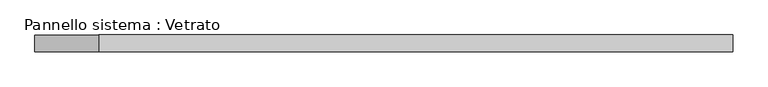
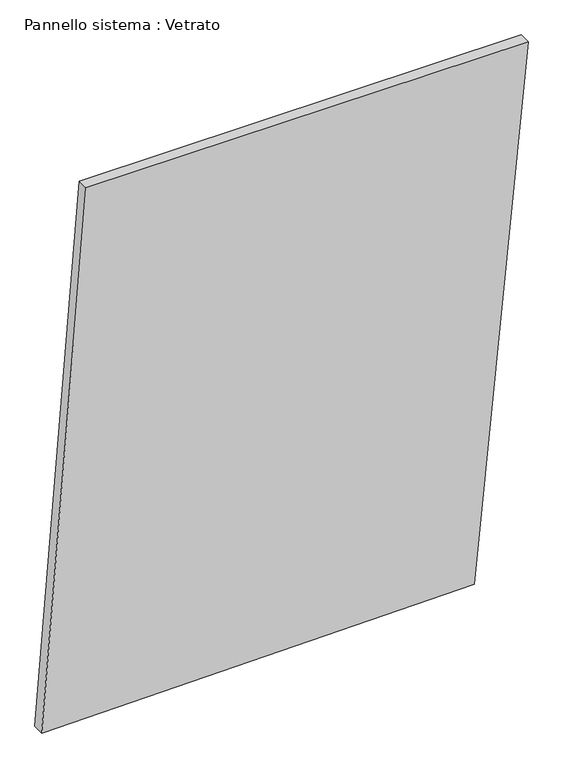
"""IFC4 building model written with IfcOpenShell, lengths in millimetres: plate geometry, Pannello sistema : Vetrato."""

from ifc_helpers import new_model, si_unit, frame, origin, place, context, project, spatial, polyline, outline, extrude, source, transform, mapped, element, save


def pannello_sistema_vetrato_b43eedc2(model_context):
    return source(origin(), model_context, "Body", "SweptSolid", [
        extrude(outline(polyline([(0.0, -625.7926737), (14.6535628, 487.2934977), (1442.8301478, 625.7926737), (1442.8301478, -511.6950498), (0.0, -625.7926737)])), frame((0.0, -15.0, 0.0), z_axis=(0.0, 1.0, 0.0), x_axis=(0.0, 0.0, 1.0)), (0.0, 0.0, 1.0), 30.0),
    ])


if __name__ == "__main__":
    model = new_model("IFC4")
    model_context = context("Model", 3, world=origin())
    ifc_project = project(units=[si_unit("LENGTHUNIT", "METRE", prefix="MILLI")], contexts=[model_context])
    site = spatial("IfcSite", under=ifc_project)
    building = spatial("IfcBuilding", under=site)
    placement = place(None, origin())
    pannello_sistema_vetrato_shape = pannello_sistema_vetrato_b43eedc2(model_context)
    element("IfcPlate", 1, ObjectType="Pannello sistema : Vetrato", at=placement, inside=building, context=model_context, shape_type="MappedRepresentation", body=[
        mapped(pannello_sistema_vetrato_shape, transform((0.0, 0.0, 0.0), x_axis=(1.0, 0.0, 0.0), y_axis=(0.0, 1.0, 0.0), z_axis=(0.0, 0.0, 1.0))),
    ])
    save(model, "model.ifc")
